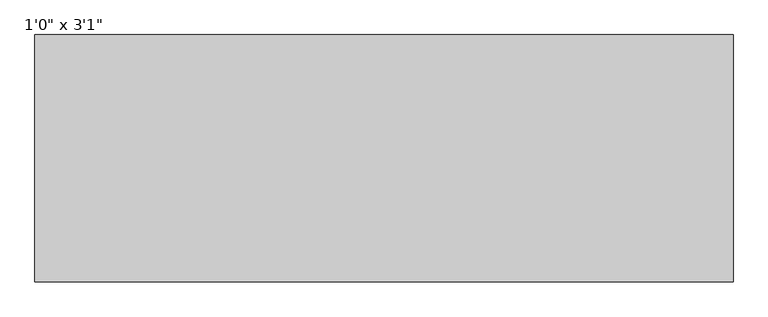
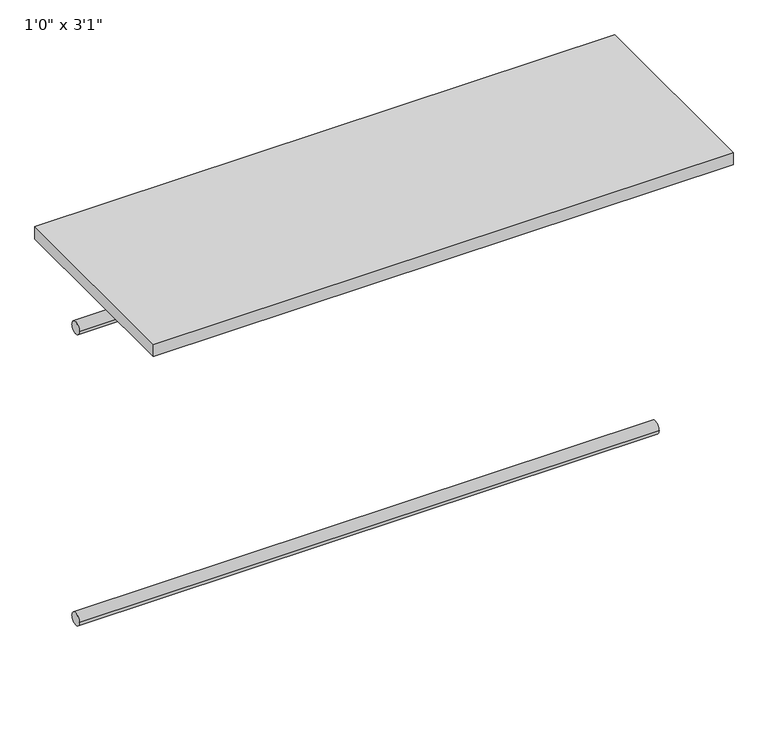
"""IFC4 building model written with IfcOpenShell, lengths in millimetres: furniture geometry."""

from ifc_helpers import new_model, si_unit, point, frame, frame_2d, origin, origin_with_axes, place, context, project, spatial, polyline, circle_curve, trimmed, segment, composite_curve, outline, extrude, source, transform, mapped, element, save


def furniture_a1bd0ecb(model_context):
    return source(origin(), model_context, "Body", "SweptSolid", [
        extrude(outline(composite_curve([segment(trimmed(circle_curve(frame_2d((-342.9, -711.2)), 12.7), [point((-330.2, -711.2))], [point((-355.6, -711.2))], False, "CARTESIAN"), True, "CONTINUOUS"), segment(trimmed(circle_curve(frame_2d((-342.9, -711.2)), 12.7), [point((-355.6, -711.2))], [point((-330.2, -711.2))], False, "CARTESIAN"), True, "CONTINUOUS")], self_intersect=False)), frame((-555.1290671, 0.0, 0.0), z_axis=(1.0, 0.0, 0.0), x_axis=(0.0, 1.0, 0.0)), (0.0, 0.0, 1.0), 1147.7335441),
        extrude(outline(composite_curve([segment(trimmed(circle_curve(frame_2d((-342.9, -101.6)), 12.7), [point((-330.2, -101.6))], [point((-355.6, -101.6))], False, "CARTESIAN"), True, "CONTINUOUS"), segment(trimmed(circle_curve(frame_2d((-342.9, -101.6)), 12.7), [point((-355.6, -101.6))], [point((-330.2, -101.6))], False, "CARTESIAN"), True, "CONTINUOUS")], self_intersect=False)), frame((-555.1290671, 0.0, 0.0), z_axis=(1.0, 0.0, 0.0), x_axis=(0.0, 1.0, 0.0)), (0.0, 0.0, 1.0), 1147.7335441),
        extrude(outline(polyline([(592.604477, -203.2), (592.604477, -609.6), (-555.1290671, -609.6), (-555.1290671, -203.2), (592.604477, -203.2)])), origin_with_axes(), (0.0, 0.0, 1.0), 25.4),
    ])


if __name__ == "__main__":
    model = new_model("IFC4")
    model_context = context("Model", 3, world=origin())
    ifc_project = project(units=[si_unit("LENGTHUNIT", "METRE", prefix="MILLI")], contexts=[model_context])
    site = spatial("IfcSite", under=ifc_project)
    building = spatial("IfcBuilding", under=site)
    placement = place(None, origin())
    furniture_shape = furniture_a1bd0ecb(model_context)
    element("IfcFurniture", 1, ObjectType="1'0\" x 3'1\"", at=placement, inside=building, context=model_context, shape_type="MappedRepresentation", body=[
        mapped(furniture_shape, transform((0.0, 0.0, 0.0), x_axis=(1.0, 0.0, 0.0), y_axis=(0.0, 1.0, 0.0), z_axis=(0.0, 0.0, 1.0))),
    ])
    save(model, "model.ifc")
